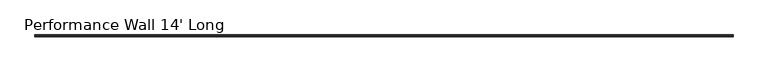
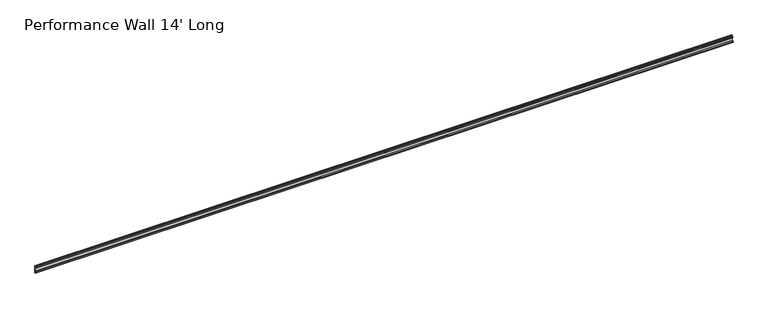
"""IFC4 building model written with IfcOpenShell, lengths in millimetres: furniture geometry, Performance Wall 14' Long."""

from ifc_helpers import new_model, si_unit, frame, origin, place, context, project, spatial, polyline, outline, extrude, source, transform, mapped, element, save


def performance_wall_14_long_ffd3f93c(model_context):
    return source(origin(), model_context, "Body", "SweptSolid", [
        extrude(outline(polyline([(0.0, 1981.2), (-3.0801413, 1981.1982663), (-3.0837154, 1987.5482653), (-11.5351723, 1987.5435084), (-11.5387464, 1993.8935074), (-3.0872896, 1993.8982643), (-3.0983255, 2013.5053275), (-7.581033, 2013.5028044), (-7.5846072, 2019.8528034), (-3.1018996, 2019.8553265), (-3.1054738, 2026.2053255), (-0.0253325, 2026.2070592), (0.0, 1981.2)])), frame((41.91, 0.0, 0.0), z_axis=(1.0, 0.0, 0.0), x_axis=(0.0, 1.0, 0.0)), (0.0, 0.0, 1.0), 4183.38),
    ])


if __name__ == "__main__":
    model = new_model("IFC4")
    model_context = context("Model", 3, world=origin())
    ifc_project = project(units=[si_unit("LENGTHUNIT", "METRE", prefix="MILLI")], contexts=[model_context])
    site = spatial("IfcSite", under=ifc_project)
    building = spatial("IfcBuilding", under=site)
    placement = place(None, origin())
    performance_wall_14_long_shape = performance_wall_14_long_ffd3f93c(model_context)
    element("IfcFurniture", 1, ObjectType="Performance Wall 14' Long", at=placement, inside=building, context=model_context, shape_type="MappedRepresentation", body=[
        mapped(performance_wall_14_long_shape, transform((0.0, 0.0, 0.0), x_axis=(1.0, 0.0, 0.0), y_axis=(0.0, 1.0, 0.0), z_axis=(0.0, 0.0, 1.0))),
    ])
    save(model, "model.ifc")
